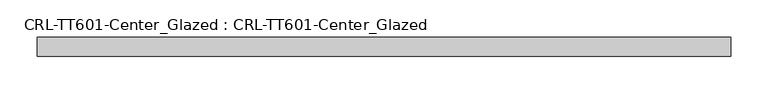
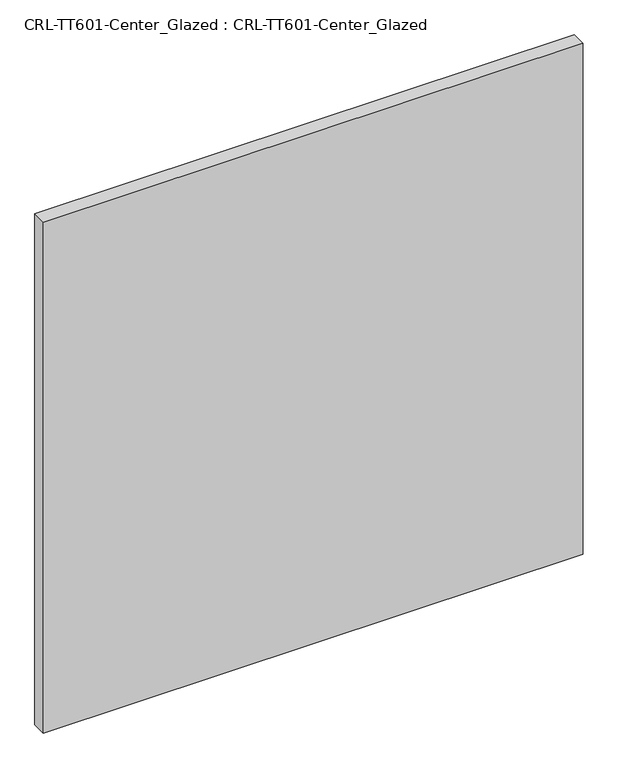
"""IFC4 building model written with IfcOpenShell, lengths in millimetres: plate geometry, CRL-TT601-Center_Glazed : CRL-TT601-Center_Glazed."""

from ifc_helpers import new_model, si_unit, origin, origin_with_axes, place, context, project, spatial, polyline, outline, extrude, source, transform, mapped, element, save


def crl_tt601_center_glazed_crl_tt601_center_glazed_4f4759dd(model_context):
    return source(origin(), model_context, "Body", "SweptSolid", [
        extrude(outline(polyline([(-463.55, -12.7254), (-463.55, 12.6746), (463.55, 12.6746), (463.55, -12.7254), (-463.55, -12.7254)])), origin_with_axes(), (0.0, 0.0, 1.0), 927.244537),
    ])


if __name__ == "__main__":
    model = new_model("IFC4")
    model_context = context("Model", 3, world=origin())
    ifc_project = project(units=[si_unit("LENGTHUNIT", "METRE", prefix="MILLI")], contexts=[model_context])
    site = spatial("IfcSite", under=ifc_project)
    building = spatial("IfcBuilding", under=site)
    placement = place(None, origin())
    crl_tt601_center_glazed_crl_tt601_center_glazed_shape = crl_tt601_center_glazed_crl_tt601_center_glazed_4f4759dd(model_context)
    element("IfcPlate", 1, ObjectType="CRL-TT601-Center_Glazed : CRL-TT601-Center_Glazed", at=placement, inside=building, context=model_context, shape_type="MappedRepresentation", body=[
        mapped(crl_tt601_center_glazed_crl_tt601_center_glazed_shape, transform((0.0, 0.0, 0.0), x_axis=(1.0, 0.0, 0.0), y_axis=(0.0, 1.0, 0.0), z_axis=(0.0, 0.0, 1.0))),
    ])
    save(model, "model.ifc")
